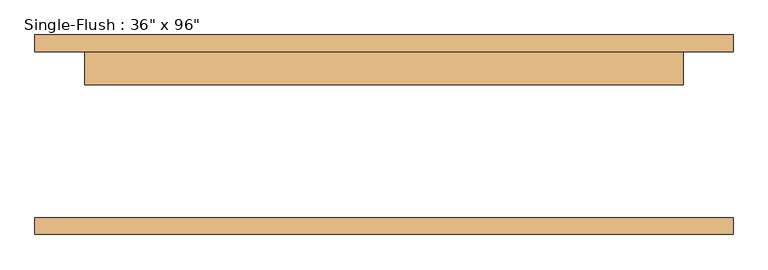
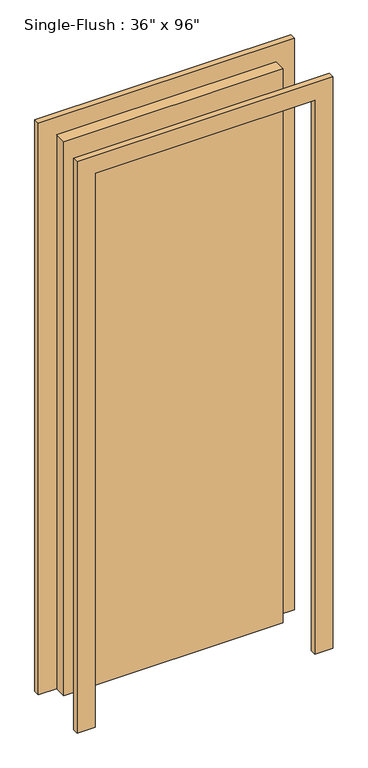
"""IFC4 building model written with IfcOpenShell, lengths in millimetres: door geometry."""

import ifcopenshell
import ifcopenshell.guid

model = None  # the IFC model being written
_history = None  # IfcOwnerHistory: only IFC2X3 demands one
_inside = {}  # id of a spatial element -> (the spatial element, [elements in it])
_under = {}  # id of a project, library or spatial element -> (it, [spatial elements below it])
_declared = {}  # id of a project -> (the project, [libraries it declares])
_typed = {}  # id of a type object -> (the type object, [elements of that type])
_made_of = {}  # id of a material, layer set ... -> (it, [elements and type objects made of it])


def new_model(schema):
    """Start an empty IFC model of exactly this schema.

    Asked for "IFC4X3", IfcOpenShell would pick the latest addendum, in which some entities
    have other attributes; the version numbers below select the first issue.
    IFC2X3 requires an IfcOwnerHistory on every rooted entity: one is made here for all.
    """
    global model, _history
    if schema == "IFC4X3":
        model = ifcopenshell.file(schema_version=(4, 3, 0, 0))
    else:
        model = ifcopenshell.file(schema=schema)
    _inside.clear()
    _under.clear()
    _declared.clear()
    _typed.clear()
    _made_of.clear()
    _history = None
    if model.schema == "IFC2X3":
        org = make("IfcOrganization", Name="unknown")
        user = make(
            "IfcPersonAndOrganization",
            ThePerson=make("IfcPerson", FamilyName="unknown"),
            TheOrganization=org,
        )
        app = make(
            "IfcApplication",
            ApplicationDeveloper=org,
            Version="unknown",
            ApplicationFullName="unknown",
            ApplicationIdentifier="unknown",
        )
        _history = make(
            "IfcOwnerHistory",
            OwningUser=user,
            OwningApplication=app,
            ChangeAction="ADDED",
            CreationDate=0,
        )
    return model


def make(cls, **values):
    """One entity of the class cls with the attributes given. An attribute that is None is left unset."""
    return model.create_entity(
        cls, **{name: value for name, value in values.items() if value is not None}
    )


def rooted(cls, **values):
    """An entity with a GlobalId (a new one), such as an element, a storey or a relation."""
    return make(cls, GlobalId=ifcopenshell.guid.new(), OwnerHistory=_history, **values)


def si_unit(unit_type, name, prefix=None):
    """IfcSIUnit, for example si_unit("LENGTHUNIT", "METRE", prefix="MILLI")."""
    return make("IfcSIUnit", UnitType=unit_type, Prefix=prefix, Name=name)


def assignment(units):
    """IfcUnitAssignment: the units of a project."""
    return None if units is None else make("IfcUnitAssignment", Units=units)


def point(xyz):
    """IfcCartesianPoint."""
    return None if xyz is None else make("IfcCartesianPoint", Coordinates=xyz)


def direction(xyz):
    """IfcDirection."""
    return None if xyz is None else make("IfcDirection", DirectionRatios=xyz)


def frame(location, z_axis=None, x_axis=None):
    """IfcAxis2Placement3D, a coordinate frame: its origin and axes. An axis left out is left unset."""
    return make(
        "IfcAxis2Placement3D",
        Location=point(location),
        Axis=direction(z_axis),
        RefDirection=direction(x_axis),
    )


def origin():
    """The frame at (0, 0, 0) with its axes left unset."""
    return frame((0.0, 0.0, 0.0))


def origin_with_axes():
    """The frame at (0, 0, 0) with the z axis (0, 0, 1) and the x axis (1, 0, 0) written out."""
    return frame((0.0, 0.0, 0.0), z_axis=(0.0, 0.0, 1.0), x_axis=(1.0, 0.0, 0.0))


def place(relative_to, where):
    """IfcLocalPlacement: puts the frame where relative to a parent placement (None: the world)."""
    return make(
        "IfcLocalPlacement", PlacementRelTo=relative_to, RelativePlacement=where
    )


def context(
    kind, dimensions, precision=None, world=None, true_north=None, identifier=None
):
    """IfcGeometricRepresentationContext, for example the 3D "Model" context."""
    return make(
        "IfcGeometricRepresentationContext",
        ContextIdentifier=identifier,
        ContextType=kind,
        CoordinateSpaceDimension=dimensions,
        Precision=precision,
        WorldCoordinateSystem=world,
        TrueNorth=true_north,
    )


def project(units=None, contexts=None):
    """IfcProject with its units and contexts."""
    return rooted(
        "IfcProject",
        Name="project",
        RepresentationContexts=contexts,
        UnitsInContext=assignment(units),
    )


def spatial(cls, under=None, at=None, **own):
    """A site, building, storey or space (cls), placed at a placement, below another one or the project."""
    s = rooted(cls, ObjectPlacement=at, **own)
    if under is not None:
        _under.setdefault(under.id(), (under, []))[1].append(s)
    return s


def polyline(points):
    """IfcPolyline through the points."""
    return make("IfcPolyline", Points=[point(p) for p in points])


def outline(outer, holes=None, kind="AREA"):
    """IfcArbitraryClosedProfileDef: a profile drawn as a closed curve; with holes, ...WithVoids."""
    if holes is None:
        return make("IfcArbitraryClosedProfileDef", ProfileType=kind, OuterCurve=outer)
    return make(
        "IfcArbitraryProfileDefWithVoids",
        ProfileType=kind,
        OuterCurve=outer,
        InnerCurves=holes,
    )


def extrude(swept, where, along, depth):
    """IfcExtrudedAreaSolid: the profile swept, set in the frame where, extruded along a direction by depth."""
    return make(
        "IfcExtrudedAreaSolid",
        SweptArea=swept,
        Position=where,
        ExtrudedDirection=direction(along),
        Depth=depth,
    )


def shape(context_of_items, identifier, shape_type, items):
    """IfcShapeRepresentation: the items that make up one representation, for example the "Body"."""
    return make(
        "IfcShapeRepresentation",
        ContextOfItems=context_of_items,
        RepresentationIdentifier=identifier,
        RepresentationType=shape_type,
        Items=items,
    )


def source(mapping_origin, context_of_items, identifier, shape_type, items):
    """IfcRepresentationMap: a shape defined once, which mapped items show again and again."""
    return make(
        "IfcRepresentationMap",
        MappingOrigin=mapping_origin,
        MappedRepresentation=shape(context_of_items, identifier, shape_type, items),
    )


def transform(
    local_origin,
    x_axis=None,
    y_axis=None,
    z_axis=None,
    scale=None,
    scale2=None,
    scale3=None,
    uniform=True,
):
    """IfcCartesianTransformationOperator3D, or its non-uniform kind. x_axis, y_axis, z_axis: its Axis1, 2, 3."""
    if uniform:
        return make(
            "IfcCartesianTransformationOperator3D",
            Axis1=direction(x_axis),
            Axis2=direction(y_axis),
            LocalOrigin=point(local_origin),
            Scale=scale,
            Axis3=direction(z_axis),
        )
    return make(
        "IfcCartesianTransformationOperator3DnonUniform",
        Axis1=direction(x_axis),
        Axis2=direction(y_axis),
        LocalOrigin=point(local_origin),
        Scale=scale,
        Axis3=direction(z_axis),
        Scale2=scale2,
        Scale3=scale3,
    )


def mapped(mapping_source, mapping_target):
    """IfcMappedItem: shows the shape of a source again, moved by a transform."""
    return make(
        "IfcMappedItem", MappingSource=mapping_source, MappingTarget=mapping_target
    )


def made_of(thing, what):
    """Note that an element or type object is made of a material, layer set ...; save() writes the relation."""
    if what is not None:
        _made_of.setdefault(what.id(), (what, []))[1].append(thing)
    return thing


def element(
    cls,
    number,
    at=None,
    inside=None,
    cuts=None,
    type_object=None,
    material=None,
    context=None,
    identifier="Body",
    shape_type=None,
    held_by="IfcProductDefinitionShape",
    body=None,
    shapes=None,
    **own,
):
    """One element of the class cls, such as IfcWall. Its Tag is "e" and its number.

    at: its placement. inside: the storey or other place that contains it. cuts: it is an
    opening in that element (IfcRelVoidsElement). A single representation is given by context,
    identifier, shape_type and body (its items); several are given by shapes. held_by: the class
    of the entity that holds the representations. save() writes the other relations.
    """
    e = rooted(cls, Tag="e%d" % number, ObjectPlacement=at, **own)
    if body is not None:
        shapes = [shape(context, identifier, shape_type, body)]
    if shapes is not None:
        e.Representation = make(held_by, Representations=shapes)
    if inside is not None:
        _inside.setdefault(inside.id(), (inside, []))[1].append(e)
    if cuts is not None:
        rooted(
            "IfcRelVoidsElement", RelatingBuildingElement=cuts, RelatedOpeningElement=e
        )
    if type_object is not None:
        _typed.setdefault(type_object.id(), (type_object, []))[1].append(e)
    return made_of(e, material)


def aggregate(whole, parts):
    """IfcRelAggregates: a whole, such as a stair, and the parts it consists of."""
    return rooted("IfcRelAggregates", RelatingObject=whole, RelatedObjects=parts)


def save(model, path):
    """Write the relations noted so far, then the file.

    IfcRelAggregates (storeys below a building ...), IfcRelContainedInSpatialStructure (elements
    in a storey), IfcRelDefinesByType, IfcRelAssociatesMaterial and IfcRelDeclares: one each for
    every whole, place, type object, material and project.
    """
    for whole, parts in _under.values():
        aggregate(whole, parts)
    for where, things in _inside.values():
        rooted(
            "IfcRelContainedInSpatialStructure",
            RelatedElements=things,
            RelatingStructure=where,
        )
    for kind, things in _typed.values():
        rooted("IfcRelDefinesByType", RelatedObjects=things, RelatingType=kind)
    for what, things in _made_of.values():
        rooted("IfcRelAssociatesMaterial", RelatedObjects=things, RelatingMaterial=what)
    for by, libraries in _declared.values():
        rooted("IfcRelDeclares", RelatingContext=by, RelatedDefinitions=libraries)
    model.write(path)


def door_9b482831(model_context):
    return source(origin(), model_context, "Body", "SweptSolid", [
        extrude(outline(polyline([(2514.6, -533.4), (0.0, -533.4), (0.0, -457.2), (2438.4, -457.2), (2438.4, 457.2), (0.0, 457.2), (0.0, 533.4), (2514.6, 533.4), (2514.6, -533.4)])), frame((0.0, 127.0, 0.0), z_axis=(0.0, 1.0, 0.0), x_axis=(0.0, 0.0, 1.0)), (0.0, 0.0, 1.0), 25.4),
        extrude(outline(polyline([(2514.6, 533.4), (2514.6, -533.4), (0.0, -533.4), (0.0, -457.2), (2438.4, -457.2), (2438.4, 457.2), (0.0, 457.2), (0.0, 533.4), (2514.6, 533.4)])), frame((0.0, -152.4, 0.0), z_axis=(0.0, 1.0, 0.0), x_axis=(0.0, 0.0, 1.0)), (0.0, 0.0, 1.0), 25.4),
        extrude(outline(polyline([(457.2, 76.2), (-457.2, 76.2), (-457.2, 127.0), (457.2, 127.0), (457.2, 76.2)])), origin_with_axes(), (0.0, 0.0, 1.0), 2438.4),
    ])


if __name__ == "__main__":
    model = new_model("IFC4")
    model_context = context("Model", 3, world=origin())
    ifc_project = project(units=[si_unit("LENGTHUNIT", "METRE", prefix="MILLI")], contexts=[model_context])
    site = spatial("IfcSite", under=ifc_project)
    building = spatial("IfcBuilding", under=site)
    placement = place(None, origin())
    door_shape = door_9b482831(model_context)
    element("IfcDoor", 1, ObjectType="Single-Flush : 36\" x 96\"", at=placement, inside=building, context=model_context, shape_type="MappedRepresentation", body=[
        mapped(door_shape, transform((0.0, 0.0, 0.0), x_axis=(1.0, 0.0, 0.0), y_axis=(0.0, 1.0, 0.0), z_axis=(0.0, 0.0, 1.0))),
    ])
    save(model, "model.ifc")
